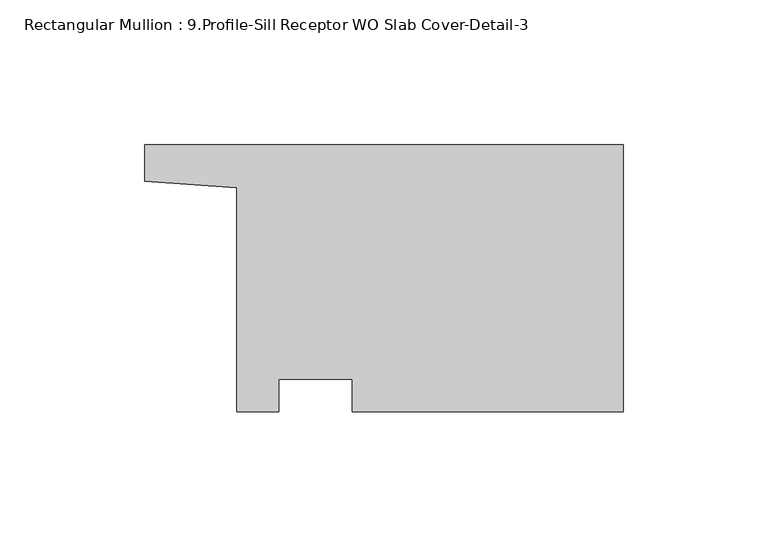
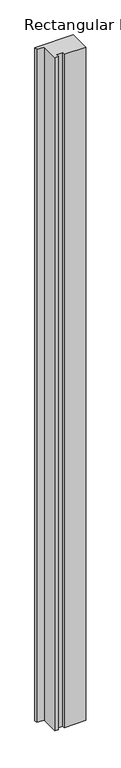
"""IFC4 building model written with IfcOpenShell, lengths in millimetres: member geometry, Rectangular Mullion : 9.Profile-Sill Receptor WO Slab Cover-Detail-3."""

from ifc_helpers import new_model, si_unit, frame, origin, place, context, project, spatial, polyline, outline, extrude, source, transform, mapped, element, save


def rectangular_mullion_9_profile_sill_receptor_wo_slab_cover_e92ef23d(model_context):
    return source(origin(), model_context, "Body", "SweptSolid", [
        extrude(outline(polyline([(0.0, -44.2926061), (-93.5154219, -44.2926061), (-93.5154219, -33.1801061), (-118.8464125, -33.1801061), (-118.8464125, -44.2926061), (-133.3499375, -44.2926061), (-133.3499375, 33.0008938), (-165.1, 35.200228), (-165.1, 47.7825209), (0.0, 47.7825209), (0.0, -44.2926061)])), frame((0.0, 0.0, -3048.0), z_axis=(0.0, 0.0, 1.0), x_axis=(1.0, 0.0, 0.0)), (0.0, 0.0, 1.0), 3048.0),
    ])


if __name__ == "__main__":
    model = new_model("IFC4")
    model_context = context("Model", 3, world=origin())
    ifc_project = project(units=[si_unit("LENGTHUNIT", "METRE", prefix="MILLI")], contexts=[model_context])
    site = spatial("IfcSite", under=ifc_project)
    building = spatial("IfcBuilding", under=site)
    placement = place(None, origin())
    rectangular_mullion_9_profile_sill_receptor_wo_slab_cover_shape = rectangular_mullion_9_profile_sill_receptor_wo_slab_cover_e92ef23d(model_context)
    element("IfcMember", 1, ObjectType="Rectangular Mullion : 9.Profile-Sill Receptor WO Slab Cover-Detail-3", at=placement, inside=building, context=model_context, shape_type="MappedRepresentation", body=[
        mapped(rectangular_mullion_9_profile_sill_receptor_wo_slab_cover_shape, transform((0.0, 0.0, 0.0), x_axis=(1.0, 0.0, 0.0), y_axis=(0.0, 1.0, 0.0), z_axis=(0.0, 0.0, 1.0))),
    ])
    save(model, "model.ifc")
